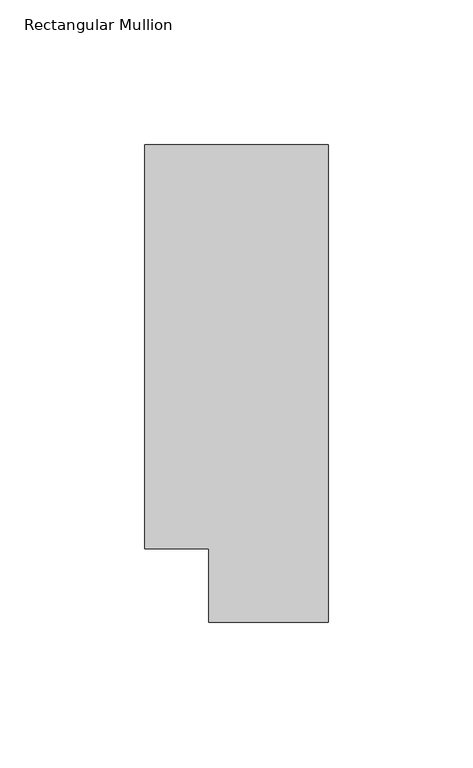
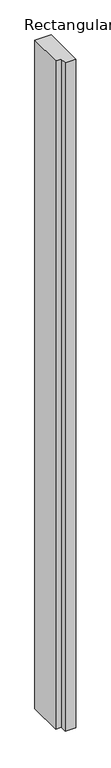
"""IFC4 building model written with IfcOpenShell, lengths in millimetres: member geometry, Rectangular Mullion."""

from ifc_helpers import new_model, si_unit, frame, origin, place, context, project, spatial, polyline, outline, extrude, source, transform, mapped, element, save


def rectangular_mullion_c17a99b3(model_context):
    return source(origin(), model_context, "Body", "SweptSolid", [
        extrude(outline(polyline([(-63.5001132, 139.7380397), (0.0, 139.7380397), (0.0, -25.3619553), (-41.2751132, -25.3619553), (-41.2751132, 0.0380447), (-63.5001132, 0.0380447), (-63.5001132, 139.7380397)])), frame((0.0, 0.0, -2743.2), z_axis=(0.0, 0.0, 1.0), x_axis=(1.0, 0.0, 0.0)), (0.0, 0.0, 1.0), 2743.2),
    ])


if __name__ == "__main__":
    model = new_model("IFC4")
    model_context = context("Model", 3, world=origin())
    ifc_project = project(units=[si_unit("LENGTHUNIT", "METRE", prefix="MILLI")], contexts=[model_context])
    site = spatial("IfcSite", under=ifc_project)
    building = spatial("IfcBuilding", under=site)
    placement = place(None, origin())
    rectangular_mullion_shape = rectangular_mullion_c17a99b3(model_context)
    element("IfcMember", 1, ObjectType="Rectangular Mullion", at=placement, inside=building, context=model_context, shape_type="MappedRepresentation", body=[
        mapped(rectangular_mullion_shape, transform((0.0, 0.0, 0.0), x_axis=(1.0, 0.0, 0.0), y_axis=(0.0, 1.0, 0.0), z_axis=(0.0, 0.0, 1.0))),
    ])
    save(model, "model.ifc")
